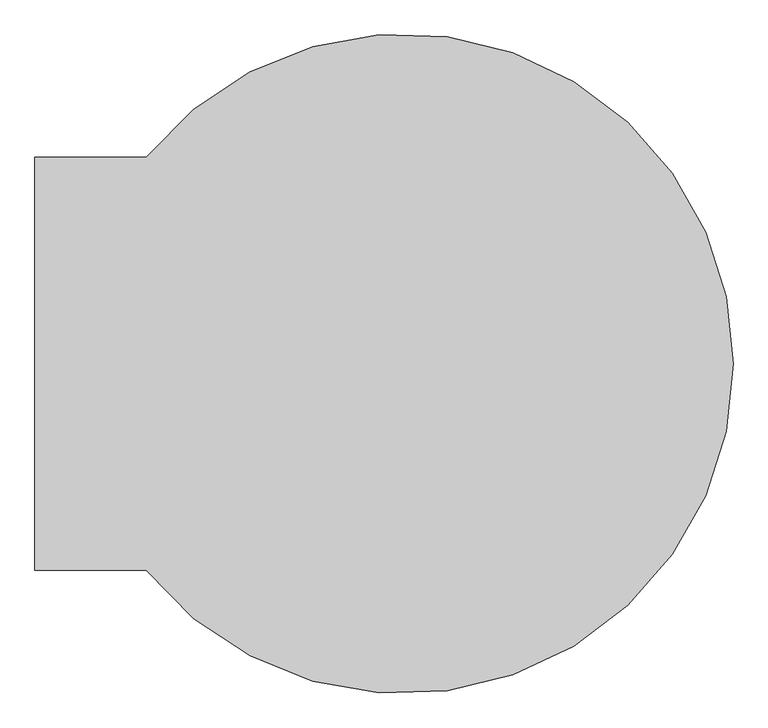
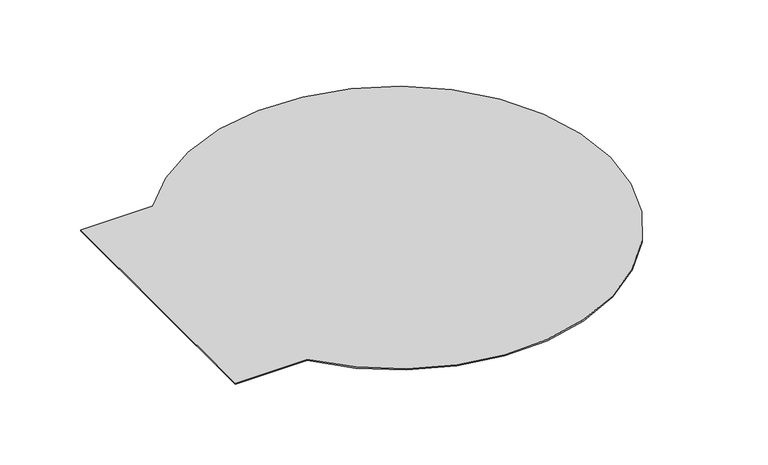
"""IFC4 building model written with IfcOpenShell, lengths in millimetres: furniture geometry."""

from ifc_helpers import new_model, si_unit, point, frame_2d, origin, origin_with_axes, place, context, project, spatial, polyline, circle_curve, trimmed, segment, composite_curve, outline, extrude, source, transform, mapped, element, save


def furniture_4c1d41c6(model_context):
    return source(origin(), model_context, "Body", "SweptSolid", [
        extrude(outline(composite_curve([segment(trimmed(circle_curve(frame_2d((994.171875, -0.6945313)), 1157.8828125), [point((91.5134136, 724.4953125))], [point((91.5134136, -725.884375))], False, "CARTESIAN"), True, "CONTINUOUS"), segment(polyline([(91.5134136, -725.884375), (-299.0453125, -725.884375), (-299.0453125, 724.4953125), (91.5134136, 724.4953125)]), True, "CONTINUOUS")], self_intersect=False)), origin_with_axes(), (0.0, 0.0, 1.0), 6.35),
    ])


if __name__ == "__main__":
    model = new_model("IFC4")
    model_context = context("Model", 3, world=origin())
    ifc_project = project(units=[si_unit("LENGTHUNIT", "METRE", prefix="MILLI")], contexts=[model_context])
    site = spatial("IfcSite", under=ifc_project)
    building = spatial("IfcBuilding", under=site)
    placement = place(None, origin())
    furniture_shape = furniture_4c1d41c6(model_context)
    element("IfcFurniture", 1, at=placement, inside=building, context=model_context, shape_type="MappedRepresentation", body=[
        mapped(furniture_shape, transform((0.0, 0.0, 0.0), x_axis=(1.0, 0.0, 0.0), y_axis=(0.0, 1.0, 0.0), z_axis=(0.0, 0.0, 1.0))),
    ])
    save(model, "model.ifc")
